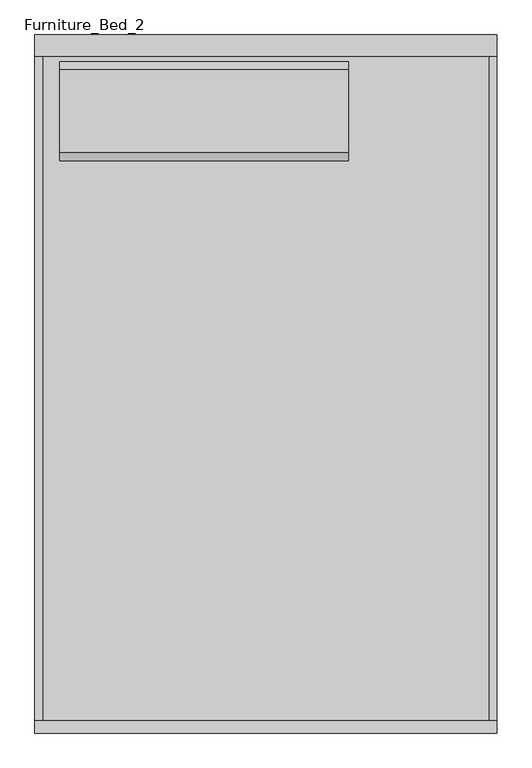
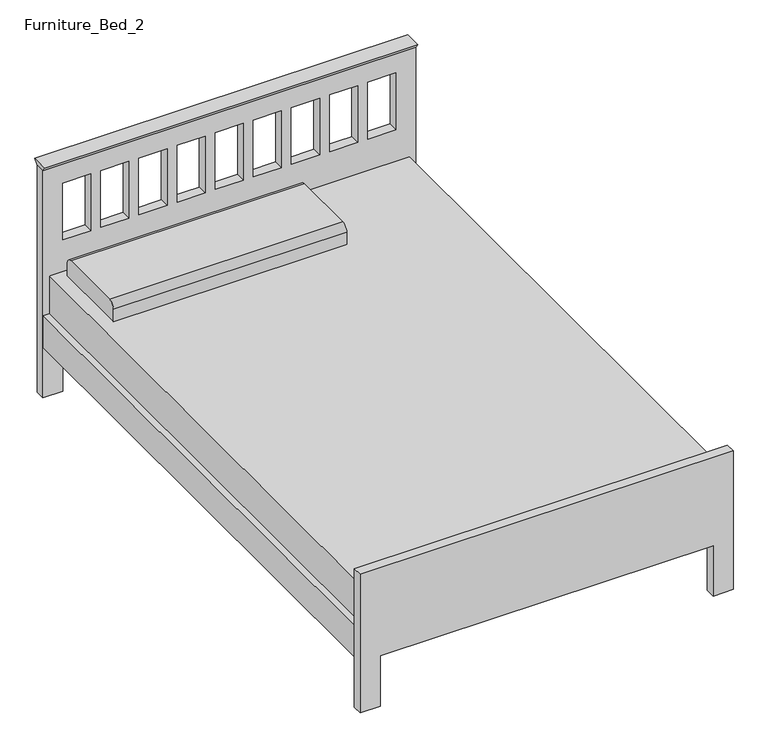
"""IFC4 building model written with IfcOpenShell, lengths in millimetres: furniture geometry, Furniture_Bed_2."""

from ifc_helpers import new_model, si_unit, point, frame, frame_2d, origin, place, context, project, spatial, polyline, circle_curve, trimmed, segment, composite_curve, outline, extrude, source, transform, mapped, element, save


def furniture_bed_2_2394a693(model_context):
    return source(origin(), model_context, "Body", "SweptSolid", [
        extrude(outline(polyline([(914.4, 692.4168067), (914.4, -730.0365546), (0.0, -730.0365546), (0.0, -654.05), (203.2, -654.05), (203.2, 234.95), (0.0, 234.95), (0.0, 692.4168067), (914.4, 692.4168067)]), holes=[polyline([(838.2, -546.8055556), (609.6, -546.8055556), (609.6, -654.05), (838.2, -654.05), (838.2, -546.8055556)]), polyline([(838.2, -401.4611111), (609.6, -401.4611111), (609.6, -508.7055556), (838.2, -508.7055556), (838.2, -401.4611111)]), polyline([(838.2, -256.1166667), (609.6, -256.1166667), (609.6, -363.3611111), (838.2, -363.3611111), (838.2, -256.1166667)]), polyline([(838.2, -110.7722222), (609.6, -110.7722222), (609.6, -218.0166667), (838.2, -218.0166667), (838.2, -110.7722222)]), polyline([(838.2, 179.9166667), (609.6, 179.9166667), (609.6, 72.6722222), (838.2, 72.6722222), (838.2, 179.9166667)]), polyline([(838.2, 325.2611111), (609.6, 325.2611111), (609.6, 218.0166667), (838.2, 218.0166667), (838.2, 325.2611111)]), polyline([(838.2, 470.6055556), (609.6, 470.6055556), (609.6, 363.3611111), (838.2, 363.3611111), (838.2, 470.6055556)]), polyline([(838.2, 615.95), (609.6, 615.95), (609.6, 508.7055556), (838.2, 508.7055556), (838.2, 615.95)]), polyline([(838.2, 34.5722222), (609.6, 34.5722222), (609.6, -72.6722222), (838.2, -72.6722222), (838.2, 34.5722222)])]), frame((0.0, -38.1, 0.0), z_axis=(0.0, 1.0, 0.0), x_axis=(0.0, 0.0, 1.0)), (0.0, 0.0, 1.0), 38.1),
        extrude(outline(polyline([(0.0, -654.05), (203.2, -654.05), (203.2, 615.95), (0.0, 615.95), (0.0, 692.15), (558.8, 692.15), (558.8, -730.25), (0.0, -730.25), (0.0, -654.05)])), frame((0.0, -2133.6, 0.0), z_axis=(0.0, 1.0, 0.0), x_axis=(0.0, 0.0, 1.0)), (0.0, 0.0, 1.0), 38.1),
        extrude(outline(polyline([(-730.25, -2095.5), (-730.25, -38.1), (-704.85, -38.1), (-704.85, -2095.5), (-730.25, -2095.5)])), frame((0.0, 0.0, 203.5755296), z_axis=(0.0, 0.0, 1.0), x_axis=(1.0, 0.0, 0.0)), (0.0, 0.0, 1.0), 127.0),
        extrude(outline(polyline([(666.75, -2095.5), (666.75, -38.1), (692.15, -38.1), (692.15, -2095.5), (666.75, -2095.5)])), frame((0.0, 0.0, 203.0994861), z_axis=(0.0, 0.0, 1.0), x_axis=(1.0, 0.0, 0.0)), (0.0, 0.0, 1.0), 127.0),
        extrude(outline(polyline([(666.75, -38.1), (666.75, -2095.5), (-704.85, -2095.5), (-704.85, -38.1), (666.75, -38.1)])), frame((0.0, 0.0, 228.6), z_axis=(0.0, 0.0, 1.0), x_axis=(1.0, 0.0, 0.0)), (0.0, 0.0, 1.0), 254.0),
        extrude(outline(composite_curve([segment(polyline([(-373.2486637, 482.6), (-373.2486637, 533.4)]), True, "CONTINUOUS"), segment(trimmed(circle_curve(frame_2d((-347.8486637, 533.4)), 25.4), [point((-373.2486637, 533.4))], [point((-347.8486637, 558.8))], False, "CARTESIAN"), True, "CONTINUOUS"), segment(polyline([(-347.8486637, 558.8), (-93.8486637, 558.8)]), True, "CONTINUOUS"), segment(trimmed(circle_curve(frame_2d((-93.8486637, 533.4)), 25.4), [point((-93.8486637, 558.8))], [point((-68.4486637, 533.4))], False, "CARTESIAN"), True, "CONTINUOUS"), segment(polyline([(-68.4486637, 533.4), (-68.4486637, 482.6), (-373.2486637, 482.6)]), True, "CONTINUOUS")], self_intersect=False)), frame((-654.05, 0.0, 0.0), z_axis=(1.0, 0.0, 0.0), x_axis=(0.0, 1.0, 0.0)), (0.0, 0.0, 1.0), 889.0),
        extrude(outline(polyline([(-38.1, 914.4), (-51.9545455, 933.45), (13.8545455, 933.45), (0.0, 914.4), (-38.1, 914.4)])), frame((-730.0365546, 0.0, 0.0), z_axis=(1.0, 0.0, 0.0), x_axis=(0.0, 1.0, 0.0)), (0.0, 0.0, 1.0), 1422.4533613),
    ])


if __name__ == "__main__":
    model = new_model("IFC4")
    model_context = context("Model", 3, world=origin())
    ifc_project = project(units=[si_unit("LENGTHUNIT", "METRE", prefix="MILLI")], contexts=[model_context])
    site = spatial("IfcSite", under=ifc_project)
    building = spatial("IfcBuilding", under=site)
    placement = place(None, origin())
    furniture_bed_2_shape = furniture_bed_2_2394a693(model_context)
    element("IfcFurniture", 1, ObjectType="Furniture_Bed_2", at=placement, inside=building, context=model_context, shape_type="MappedRepresentation", body=[
        mapped(furniture_bed_2_shape, transform((0.0, 0.0, 0.0), x_axis=(1.0, 0.0, 0.0), y_axis=(0.0, 1.0, 0.0), z_axis=(0.0, 0.0, 1.0))),
    ])
    save(model, "model.ifc")
